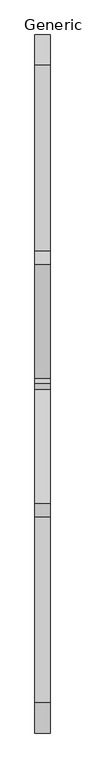
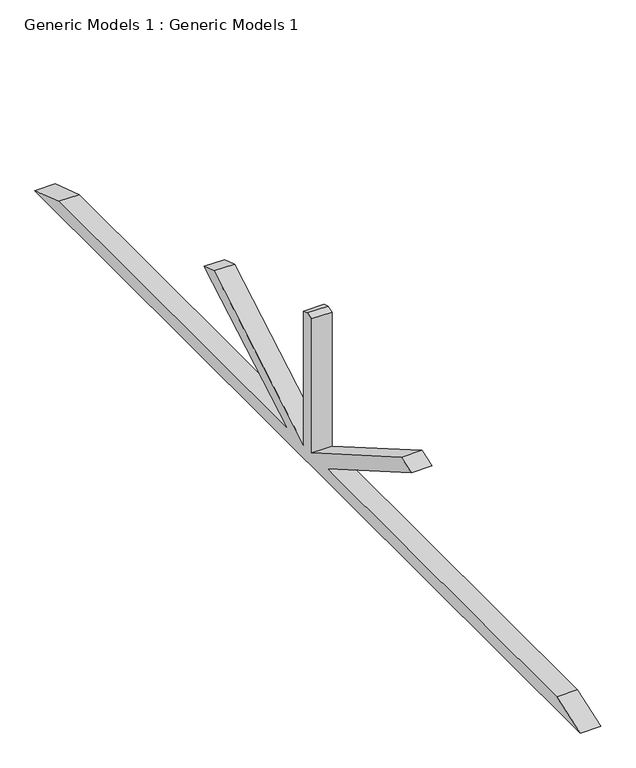
"""IFC4 building model written with IfcOpenShell, lengths in millimetres: proxy geometry, Generic Models 1 : Generic Models 1."""

from ifc_helpers import new_model, si_unit, frame, origin, place, context, project, spatial, polyline, outline, extrude, source, transform, mapped, element, save


def generic_models_1_generic_models_1_448eeedc(model_context):
    return source(origin(), model_context, "Body", "SweptSolid", [
        extrude(outline(polyline([(-3805.8080767, 2692.4), (-3501.0080767, 2794.0), (-554.6080767, 2794.0), (-1633.0653265, 3416.6475834), (-1504.2416885, 3459.5887961), (-351.4080767, 2794.0), (-351.4080767, 3843.8666667), (-300.6080767, 3860.8), (-249.8080767, 3843.8666667), (-249.8080767, 2794.0), (903.025535, 3459.5887961), (1031.849173, 3416.6475834), (-46.6080767, 2794.0), (2899.7919233, 2794.0), (3204.5919233, 2692.4), (-3805.8080767, 2692.4)])), frame((-13429.9262394, 0.0, 0.0), z_axis=(1.0, 0.0, 0.0), x_axis=(0.0, 1.0, 0.0)), (0.0, 0.0, 1.0), 152.4),
    ])


if __name__ == "__main__":
    model = new_model("IFC4")
    model_context = context("Model", 3, world=origin())
    ifc_project = project(units=[si_unit("LENGTHUNIT", "METRE", prefix="MILLI")], contexts=[model_context])
    site = spatial("IfcSite", under=ifc_project)
    building = spatial("IfcBuilding", under=site)
    placement = place(None, origin())
    generic_models_1_generic_models_1_shape = generic_models_1_generic_models_1_448eeedc(model_context)
    element("IfcBuildingElementProxy", 1, Name="Generic Models 1 : Generic Models 1", ObjectType="Generic Models 1 : Generic Models 1", at=placement, inside=building, context=model_context, shape_type="MappedRepresentation", body=[
        mapped(generic_models_1_generic_models_1_shape, transform((0.0, 0.0, 0.0), x_axis=(1.0, 0.0, 0.0), y_axis=(0.0, 1.0, 0.0), z_axis=(0.0, 0.0, 1.0))),
    ])
    save(model, "model.ifc")
